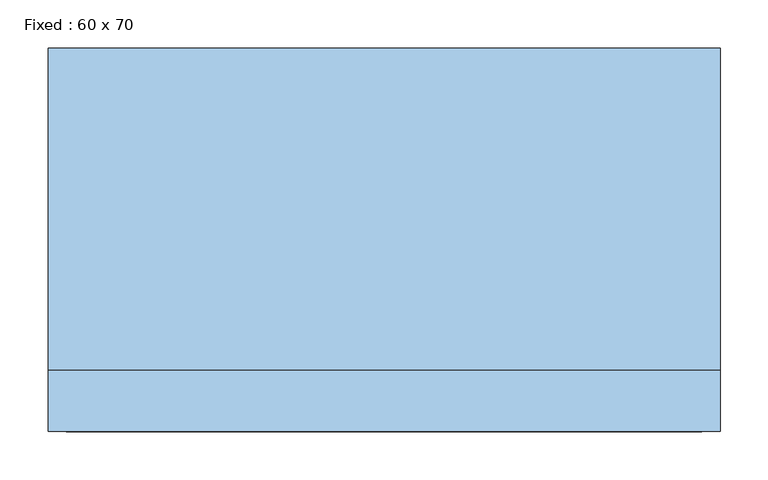
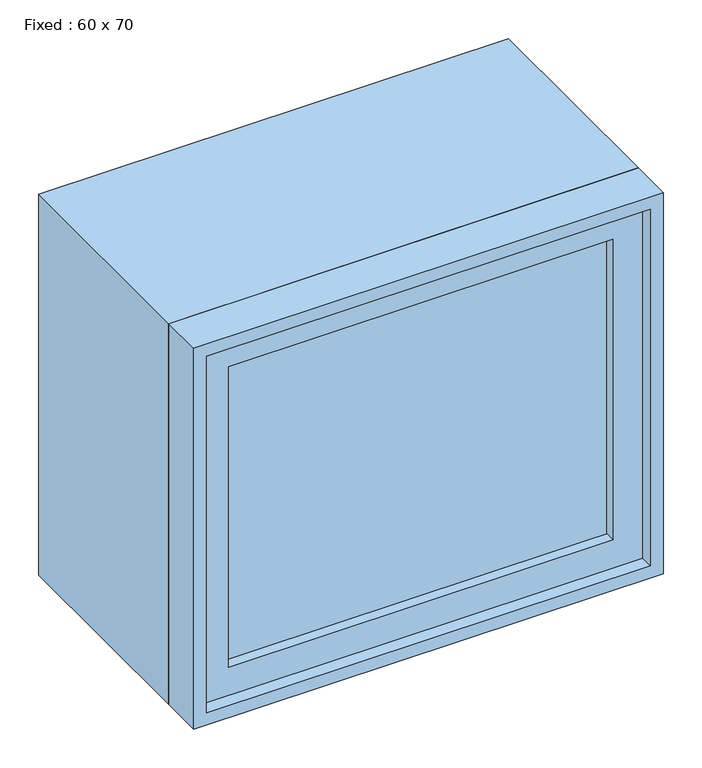
"""IFC4 building model written with IfcOpenShell, lengths in millimetres: window geometry, Fixed : 60 x 70."""

from ifc_helpers import new_model, si_unit, frame, origin, place, context, project, spatial, polyline, outline, extrude, source, transform, mapped, element, save


def fixed_60_x_70_e52bd949(model_context):
    return source(origin(), model_context, "Body", "SweptSolid", [
        extrude(outline(polyline([(248.4, -151.425), (248.4, -164.125), (-324.6, -164.125), (-324.6, -151.425), (248.4, -151.425)])), frame((0.0, 0.0, 763.5), z_axis=(0.0, 0.0, 1.0), x_axis=(1.0, 0.0, 0.0)), (0.0, 0.0, 1.0), 473.0),
        extrude(outline(polyline([(1280.95, -369.05), (719.05, -369.05), (719.05, 292.85), (1280.95, 292.85), (1280.95, -369.05)]), holes=[polyline([(1236.5, -324.6), (1236.5, 248.4), (763.5, 248.4), (763.5, -324.6), (1236.5, -324.6)])]), frame((0.0, -180.0, 0.0), z_axis=(0.0, 1.0, 0.0), x_axis=(0.0, 0.0, 1.0)), (0.0, 0.0, 1.0), 44.45),
        extrude(outline(polyline([(1300.0, -388.1), (700.0, -388.1), (700.0, 311.9), (1300.0, 311.9), (1300.0, -388.1)]), holes=[polyline([(1268.25, -356.35), (1268.25, 280.15), (731.75, 280.15), (731.75, -356.35), (1268.25, -356.35)])]), frame((0.0, -135.55, 0.0), z_axis=(0.0, 1.0, 0.0), x_axis=(0.0, 0.0, 1.0)), (0.0, 0.0, 1.0), 335.55),
        extrude(outline(polyline([(1300.0, 311.9), (1300.0, -388.1), (700.0, -388.1), (700.0, 311.9), (1300.0, 311.9)]), holes=[polyline([(1280.95, 292.85), (719.05, 292.85), (719.05, -369.05), (1280.95, -369.05), (1280.95, 292.85)])]), frame((0.0, -200.0, 0.0), z_axis=(0.0, 1.0, 0.0), x_axis=(0.0, 0.0, 1.0)), (0.0, 0.0, 1.0), 64.45),
    ])


if __name__ == "__main__":
    model = new_model("IFC4")
    model_context = context("Model", 3, world=origin())
    ifc_project = project(units=[si_unit("LENGTHUNIT", "METRE", prefix="MILLI")], contexts=[model_context])
    site = spatial("IfcSite", under=ifc_project)
    building = spatial("IfcBuilding", under=site)
    placement = place(None, origin())
    fixed_60_x_70_shape = fixed_60_x_70_e52bd949(model_context)
    element("IfcWindow", 1, ObjectType="Fixed : 60 x 70", at=placement, inside=building, context=model_context, shape_type="MappedRepresentation", body=[
        mapped(fixed_60_x_70_shape, transform((0.0, 0.0, 0.0), x_axis=(1.0, 0.0, 0.0), y_axis=(0.0, 1.0, 0.0), z_axis=(0.0, 0.0, 1.0))),
    ])
    save(model, "model.ifc")
